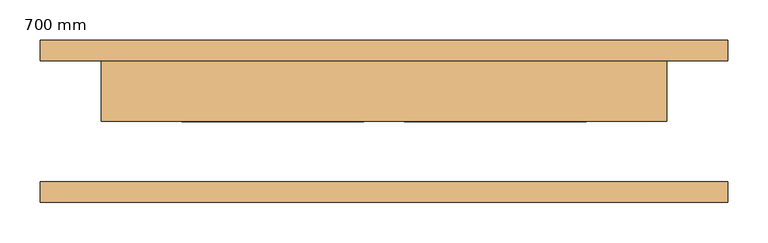
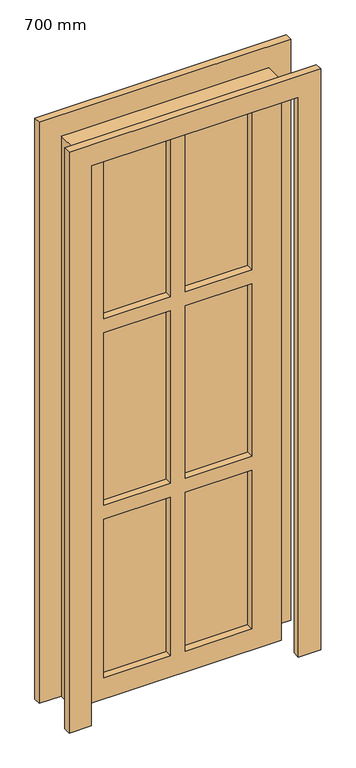
"""IFC4 building model written with IfcOpenShell, lengths in millimetres: door geometry, 700 mm."""

from ifc_helpers import new_model, si_unit, frame, origin, origin_with_axes, place, context, project, spatial, polyline, outline, extrude, source, transform, mapped, element, save


def door_700_mm_a8f62e4c(model_context):
    return source(origin(), model_context, "Body", "SweptSolid", [
        extrude(outline(polyline([(2000.0, -350.0), (2000.0, 350.0), (0.0, 350.0), (0.0, 425.0), (2075.0, 425.0), (2075.0, -425.0), (0.0, -425.0), (0.0, -350.0), (2000.0, -350.0)])), frame((0.0, 75.0, 0.0), z_axis=(0.0, 1.0, 0.0), x_axis=(0.0, 0.0, 1.0)), (0.0, 0.0, 1.0), 25.0),
        extrude(outline(polyline([(2075.0, -425.0), (0.0, -425.0), (0.0, -350.0), (2000.0, -350.0), (2000.0, 350.0), (0.0, 350.0), (0.0, 425.0), (2075.0, 425.0), (2075.0, -425.0)])), frame((0.0, -100.0, 0.0), z_axis=(0.0, 1.0, 0.0), x_axis=(0.0, 0.0, 1.0)), (0.0, 0.0, 1.0), 25.0),
        extrude(outline(polyline([(-250.0, 50.0), (-25.0, 50.0), (-25.0, 25.0), (-250.0, 25.0), (-250.0, 50.0)])), frame((0.0, 0.0, 691.7), z_axis=(0.0, 0.0, 1.0), x_axis=(1.0, 0.0, 0.0)), (0.0, 0.0, 1.0), 616.7),
        extrude(outline(polyline([(250.0, 50.0), (250.0, 25.0), (25.0, 25.0), (25.0, 50.0), (250.0, 50.0)])), frame((0.0, 0.0, 691.7), z_axis=(0.0, 0.0, 1.0), x_axis=(1.0, 0.0, 0.0)), (0.0, 0.0, 1.0), 616.7),
        extrude(outline(polyline([(2000.0, 350.0), (2000.0, -350.0), (0.0, -350.0), (0.0, 350.0), (2000.0, 350.0)]), holes=[polyline([(641.7, 25.0), (641.7, 250.0), (75.0, 250.0), (75.0, 25.0), (641.7, 25.0)]), polyline([(641.7, -250.0), (641.7, -25.0), (75.0, -25.0), (75.0, -250.0), (641.7, -250.0)]), polyline([(1308.4, 25.0), (1308.4, 250.0), (691.7, 250.0), (691.7, 25.0), (1308.4, 25.0)]), polyline([(1925.0333333, 25.0), (1925.0333333, 250.0), (1358.3333333, 250.0), (1358.3333333, 25.0), (1925.0333333, 25.0)]), polyline([(1925.0333333, -250.0), (1925.0333333, -25.0), (1358.3333333, -25.0), (1358.3333333, -250.0), (1925.0333333, -250.0)]), polyline([(1308.4, -250.0), (1308.4, -25.0), (691.7, -25.0), (691.7, -250.0), (1308.4, -250.0)])]), frame((0.0, 0.0, 0.0), z_axis=(0.0, 1.0, 0.0), x_axis=(0.0, 0.0, 1.0)), (0.0, 0.0, 1.0), 75.0),
        extrude(outline(polyline([(-250.0, 50.0), (-25.0, 50.0), (-25.0, 25.0), (-250.0, 25.0), (-250.0, 50.0)])), frame((0.0, 0.0, 1358.3333333), z_axis=(0.0, 0.0, 1.0), x_axis=(1.0, 0.0, 0.0)), (0.0, 0.0, 1.0), 566.7),
        extrude(outline(polyline([(250.0, 50.0), (250.0, 25.0), (25.0, 25.0), (25.0, 50.0), (250.0, 50.0)])), frame((0.0, 0.0, 1358.3333333), z_axis=(0.0, 0.0, 1.0), x_axis=(1.0, 0.0, 0.0)), (0.0, 0.0, 1.0), 566.7),
        extrude(outline(polyline([(250.0, 50.0), (250.0, 25.0), (25.0, 25.0), (25.0, 50.0), (250.0, 50.0)])), frame((0.0, 0.0, 50.0), z_axis=(0.0, 0.0, 1.0), x_axis=(1.0, 0.0, 0.0)), (0.0, 0.0, 1.0), 604.2),
        extrude(outline(polyline([(-250.0, 50.0), (-25.0, 50.0), (-25.0, 25.0), (-250.0, 25.0), (-250.0, 50.0)])), origin_with_axes(), (0.0, 0.0, 1.0), 641.7),
    ])


if __name__ == "__main__":
    model = new_model("IFC4")
    model_context = context("Model", 3, world=origin())
    ifc_project = project(units=[si_unit("LENGTHUNIT", "METRE", prefix="MILLI")], contexts=[model_context])
    site = spatial("IfcSite", under=ifc_project)
    building = spatial("IfcBuilding", under=site)
    placement = place(None, origin())
    door_700_mm_shape = door_700_mm_a8f62e4c(model_context)
    element("IfcDoor", 1, ObjectType="700 mm", at=placement, inside=building, context=model_context, shape_type="MappedRepresentation", body=[
        mapped(door_700_mm_shape, transform((0.0, 0.0, 0.0), x_axis=(1.0, 0.0, 0.0), y_axis=(0.0, 1.0, 0.0), z_axis=(0.0, 0.0, 1.0))),
    ])
    save(model, "model.ifc")
